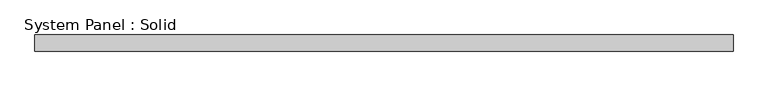
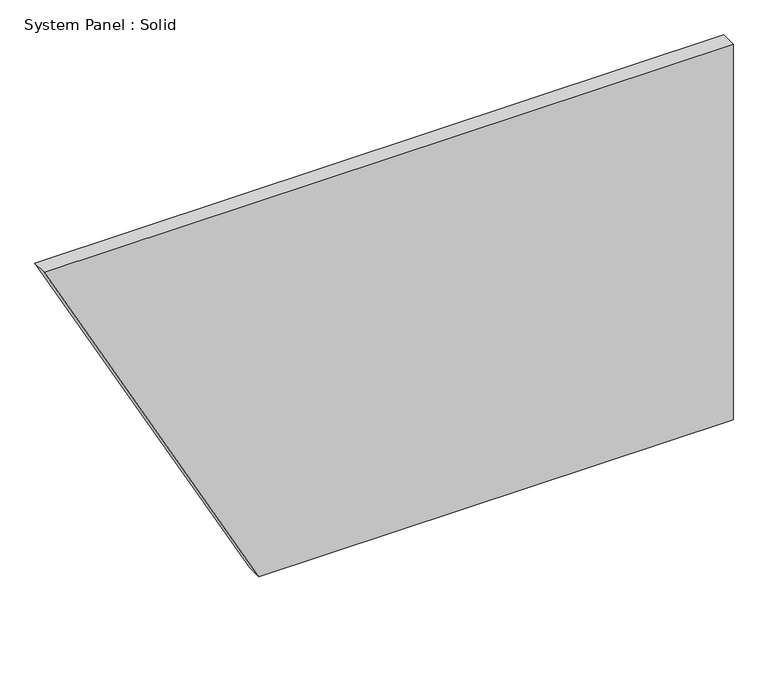
"""IFC4 building model written with IfcOpenShell, lengths in millimetres: plate geometry, System Panel : Solid."""

from ifc_helpers import new_model, si_unit, frame, origin, place, context, project, spatial, polyline, outline, extrude, source, transform, mapped, element, save


def system_panel_solid_303f4ca7(model_context):
    return source(origin(), model_context, "Body", "SweptSolid", [
        extrude(outline(polyline([(0.0, -489.9684664), (0.0, 1300.8905133), (1500.0, 1300.8905133), (1500.0, -1300.8905133), (0.0, -489.9684664)])), frame((0.0, -10.5, 0.0), z_axis=(0.0, 1.0, 0.0), x_axis=(0.0, 0.0, 1.0)), (0.0, 0.0, 1.0), 60.0),
    ])


if __name__ == "__main__":
    model = new_model("IFC4")
    model_context = context("Model", 3, world=origin())
    ifc_project = project(units=[si_unit("LENGTHUNIT", "METRE", prefix="MILLI")], contexts=[model_context])
    site = spatial("IfcSite", under=ifc_project)
    building = spatial("IfcBuilding", under=site)
    placement = place(None, origin())
    system_panel_solid_shape = system_panel_solid_303f4ca7(model_context)
    element("IfcPlate", 1, ObjectType="System Panel : Solid", at=placement, inside=building, context=model_context, shape_type="MappedRepresentation", body=[
        mapped(system_panel_solid_shape, transform((0.0, 0.0, 0.0), x_axis=(1.0, 0.0, 0.0), y_axis=(0.0, 1.0, 0.0), z_axis=(0.0, 0.0, 1.0))),
    ])
    save(model, "model.ifc")
